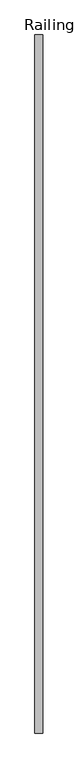
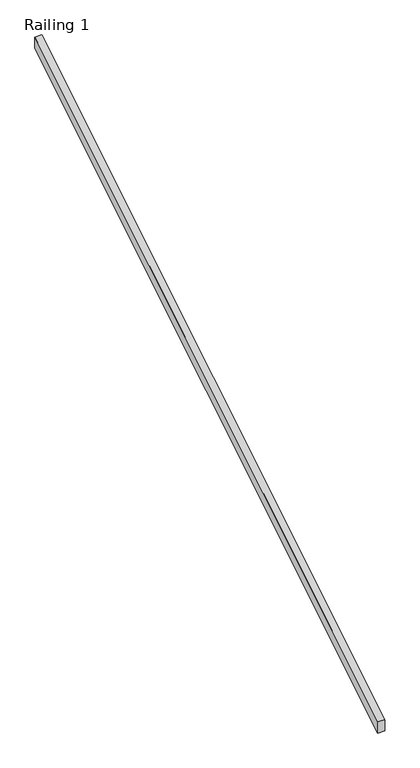
"""IFC4 building model written with IfcOpenShell, lengths in millimetres: railing geometry, Railing 1."""

from ifc_helpers import new_model, si_unit, frame, origin, place, context, project, spatial, polyline, outline, extrude, source, transform, mapped, element, save


def railing_1_9624e3b3(model_context):
    return source(origin(), model_context, "Body", "SweptSolid", [
        extrude(outline(polyline([(157099.7596582, 1114.48665), (157099.7596582, 1203.8362395), (161570.1596582, 3941.0679687), (161570.1596582, 3851.7183792), (157099.7596582, 1114.48665)])), frame((202565.7728488, 0.0, 0.0), z_axis=(1.0, 0.0, 0.0), x_axis=(0.0, 1.0, 0.0)), (0.0, 0.0, 1.0), 50.8),
    ])


if __name__ == "__main__":
    model = new_model("IFC4")
    model_context = context("Model", 3, world=origin())
    ifc_project = project(units=[si_unit("LENGTHUNIT", "METRE", prefix="MILLI")], contexts=[model_context])
    site = spatial("IfcSite", under=ifc_project)
    building = spatial("IfcBuilding", under=site)
    placement = place(None, origin())
    railing_1_shape = railing_1_9624e3b3(model_context)
    element("IfcRailing", 1, ObjectType="Railing 1", at=placement, inside=building, context=model_context, shape_type="MappedRepresentation", body=[
        mapped(railing_1_shape, transform((0.0, 0.0, 0.0), x_axis=(1.0, 0.0, 0.0), y_axis=(0.0, 1.0, 0.0), z_axis=(0.0, 0.0, 1.0))),
    ])
    save(model, "model.ifc")
